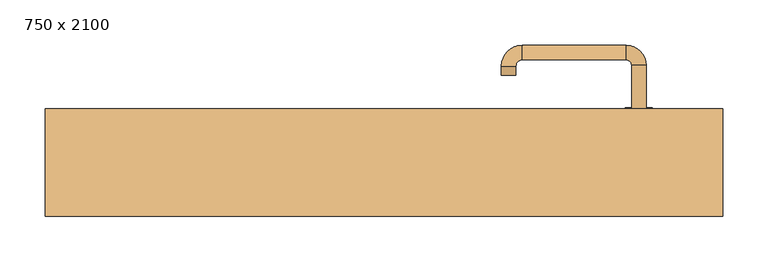
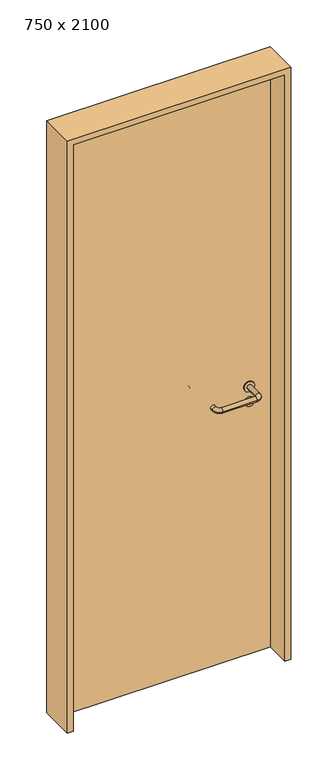
"""IFC4 building model written with IfcOpenShell, lengths in millimetres: door geometry, 750 x 2100."""

import ifcopenshell
import ifcopenshell.guid

model = None  # the IFC model being written
_history = None  # IfcOwnerHistory: only IFC2X3 demands one
_inside = {}  # id of a spatial element -> (the spatial element, [elements in it])
_under = {}  # id of a project, library or spatial element -> (it, [spatial elements below it])
_declared = {}  # id of a project -> (the project, [libraries it declares])
_typed = {}  # id of a type object -> (the type object, [elements of that type])
_made_of = {}  # id of a material, layer set ... -> (it, [elements and type objects made of it])


def new_model(schema):
    """Start an empty IFC model of exactly this schema.

    Asked for "IFC4X3", IfcOpenShell would pick the latest addendum, in which some entities
    have other attributes; the version numbers below select the first issue.
    IFC2X3 requires an IfcOwnerHistory on every rooted entity: one is made here for all.
    """
    global model, _history
    if schema == "IFC4X3":
        model = ifcopenshell.file(schema_version=(4, 3, 0, 0))
    else:
        model = ifcopenshell.file(schema=schema)
    _inside.clear()
    _under.clear()
    _declared.clear()
    _typed.clear()
    _made_of.clear()
    _history = None
    if model.schema == "IFC2X3":
        org = make("IfcOrganization", Name="unknown")
        user = make(
            "IfcPersonAndOrganization",
            ThePerson=make("IfcPerson", FamilyName="unknown"),
            TheOrganization=org,
        )
        app = make(
            "IfcApplication",
            ApplicationDeveloper=org,
            Version="unknown",
            ApplicationFullName="unknown",
            ApplicationIdentifier="unknown",
        )
        _history = make(
            "IfcOwnerHistory",
            OwningUser=user,
            OwningApplication=app,
            ChangeAction="ADDED",
            CreationDate=0,
        )
    return model


def make(cls, **values):
    """One entity of the class cls with the attributes given. An attribute that is None is left unset."""
    return model.create_entity(
        cls, **{name: value for name, value in values.items() if value is not None}
    )


def rooted(cls, **values):
    """An entity with a GlobalId (a new one), such as an element, a storey or a relation."""
    return make(cls, GlobalId=ifcopenshell.guid.new(), OwnerHistory=_history, **values)


def si_unit(unit_type, name, prefix=None):
    """IfcSIUnit, for example si_unit("LENGTHUNIT", "METRE", prefix="MILLI")."""
    return make("IfcSIUnit", UnitType=unit_type, Prefix=prefix, Name=name)


def assignment(units):
    """IfcUnitAssignment: the units of a project."""
    return None if units is None else make("IfcUnitAssignment", Units=units)


def point(xyz):
    """IfcCartesianPoint."""
    return None if xyz is None else make("IfcCartesianPoint", Coordinates=xyz)


def direction(xyz):
    """IfcDirection."""
    return None if xyz is None else make("IfcDirection", DirectionRatios=xyz)


def frame(location, z_axis=None, x_axis=None):
    """IfcAxis2Placement3D, a coordinate frame: its origin and axes. An axis left out is left unset."""
    return make(
        "IfcAxis2Placement3D",
        Location=point(location),
        Axis=direction(z_axis),
        RefDirection=direction(x_axis),
    )


def frame_2d(location, x_axis=None):
    """IfcAxis2Placement2D, a coordinate frame in the plane: its origin and x axis."""
    return make(
        "IfcAxis2Placement2D", Location=point(location), RefDirection=direction(x_axis)
    )


def origin():
    """The frame at (0, 0, 0) with its axes left unset."""
    return frame((0.0, 0.0, 0.0))


def origin_with_axes():
    """The frame at (0, 0, 0) with the z axis (0, 0, 1) and the x axis (1, 0, 0) written out."""
    return frame((0.0, 0.0, 0.0), z_axis=(0.0, 0.0, 1.0), x_axis=(1.0, 0.0, 0.0))


def place(relative_to, where):
    """IfcLocalPlacement: puts the frame where relative to a parent placement (None: the world)."""
    return make(
        "IfcLocalPlacement", PlacementRelTo=relative_to, RelativePlacement=where
    )


def context(
    kind, dimensions, precision=None, world=None, true_north=None, identifier=None
):
    """IfcGeometricRepresentationContext, for example the 3D "Model" context."""
    return make(
        "IfcGeometricRepresentationContext",
        ContextIdentifier=identifier,
        ContextType=kind,
        CoordinateSpaceDimension=dimensions,
        Precision=precision,
        WorldCoordinateSystem=world,
        TrueNorth=true_north,
    )


def project(units=None, contexts=None):
    """IfcProject with its units and contexts."""
    return rooted(
        "IfcProject",
        Name="project",
        RepresentationContexts=contexts,
        UnitsInContext=assignment(units),
    )


def spatial(cls, under=None, at=None, **own):
    """A site, building, storey or space (cls), placed at a placement, below another one or the project."""
    s = rooted(cls, ObjectPlacement=at, **own)
    if under is not None:
        _under.setdefault(under.id(), (under, []))[1].append(s)
    return s


def polyline(points):
    """IfcPolyline through the points."""
    return make("IfcPolyline", Points=[point(p) for p in points])


def circle_curve(where, radius):
    """IfcCircle in the frame where."""
    return make("IfcCircle", Position=where, Radius=radius)


def ellipse_curve(where, semi_axis1, semi_axis2):
    """IfcEllipse in the frame where."""
    return make(
        "IfcEllipse", Position=where, SemiAxis1=semi_axis1, SemiAxis2=semi_axis2
    )


def trimmed(basis, trim1, trim2, sense, master):
    """IfcTrimmedCurve: the piece of a basis curve between two trims."""
    return make(
        "IfcTrimmedCurve",
        BasisCurve=basis,
        Trim1=trim1,
        Trim2=trim2,
        SenseAgreement=sense,
        MasterRepresentation=master,
    )


def segment(curve, same_sense, transition):
    """IfcCompositeCurveSegment."""
    return make(
        "IfcCompositeCurveSegment",
        Transition=transition,
        SameSense=same_sense,
        ParentCurve=curve,
    )


def composite_curve(segments, self_intersect=None):
    """IfcCompositeCurve: segments joined end to end."""
    return make("IfcCompositeCurve", Segments=segments, SelfIntersect=self_intersect)


def outline(outer, holes=None, kind="AREA"):
    """IfcArbitraryClosedProfileDef: a profile drawn as a closed curve; with holes, ...WithVoids."""
    if holes is None:
        return make("IfcArbitraryClosedProfileDef", ProfileType=kind, OuterCurve=outer)
    return make(
        "IfcArbitraryProfileDefWithVoids",
        ProfileType=kind,
        OuterCurve=outer,
        InnerCurves=holes,
    )


def extrude(swept, where, along, depth):
    """IfcExtrudedAreaSolid: the profile swept, set in the frame where, extruded along a direction by depth."""
    return make(
        "IfcExtrudedAreaSolid",
        SweptArea=swept,
        Position=where,
        ExtrudedDirection=direction(along),
        Depth=depth,
    )


def shape(context_of_items, identifier, shape_type, items):
    """IfcShapeRepresentation: the items that make up one representation, for example the "Body"."""
    return make(
        "IfcShapeRepresentation",
        ContextOfItems=context_of_items,
        RepresentationIdentifier=identifier,
        RepresentationType=shape_type,
        Items=items,
    )


def source(mapping_origin, context_of_items, identifier, shape_type, items):
    """IfcRepresentationMap: a shape defined once, which mapped items show again and again."""
    return make(
        "IfcRepresentationMap",
        MappingOrigin=mapping_origin,
        MappedRepresentation=shape(context_of_items, identifier, shape_type, items),
    )


def transform(
    local_origin,
    x_axis=None,
    y_axis=None,
    z_axis=None,
    scale=None,
    scale2=None,
    scale3=None,
    uniform=True,
):
    """IfcCartesianTransformationOperator3D, or its non-uniform kind. x_axis, y_axis, z_axis: its Axis1, 2, 3."""
    if uniform:
        return make(
            "IfcCartesianTransformationOperator3D",
            Axis1=direction(x_axis),
            Axis2=direction(y_axis),
            LocalOrigin=point(local_origin),
            Scale=scale,
            Axis3=direction(z_axis),
        )
    return make(
        "IfcCartesianTransformationOperator3DnonUniform",
        Axis1=direction(x_axis),
        Axis2=direction(y_axis),
        LocalOrigin=point(local_origin),
        Scale=scale,
        Axis3=direction(z_axis),
        Scale2=scale2,
        Scale3=scale3,
    )


def mapped(mapping_source, mapping_target):
    """IfcMappedItem: shows the shape of a source again, moved by a transform."""
    return make(
        "IfcMappedItem", MappingSource=mapping_source, MappingTarget=mapping_target
    )


def made_of(thing, what):
    """Note that an element or type object is made of a material, layer set ...; save() writes the relation."""
    if what is not None:
        _made_of.setdefault(what.id(), (what, []))[1].append(thing)
    return thing


def element(
    cls,
    number,
    at=None,
    inside=None,
    cuts=None,
    type_object=None,
    material=None,
    context=None,
    identifier="Body",
    shape_type=None,
    held_by="IfcProductDefinitionShape",
    body=None,
    shapes=None,
    **own,
):
    """One element of the class cls, such as IfcWall. Its Tag is "e" and its number.

    at: its placement. inside: the storey or other place that contains it. cuts: it is an
    opening in that element (IfcRelVoidsElement). A single representation is given by context,
    identifier, shape_type and body (its items); several are given by shapes. held_by: the class
    of the entity that holds the representations. save() writes the other relations.
    """
    e = rooted(cls, Tag="e%d" % number, ObjectPlacement=at, **own)
    if body is not None:
        shapes = [shape(context, identifier, shape_type, body)]
    if shapes is not None:
        e.Representation = make(held_by, Representations=shapes)
    if inside is not None:
        _inside.setdefault(inside.id(), (inside, []))[1].append(e)
    if cuts is not None:
        rooted(
            "IfcRelVoidsElement", RelatingBuildingElement=cuts, RelatedOpeningElement=e
        )
    if type_object is not None:
        _typed.setdefault(type_object.id(), (type_object, []))[1].append(e)
    return made_of(e, material)


def aggregate(whole, parts):
    """IfcRelAggregates: a whole, such as a stair, and the parts it consists of."""
    return rooted("IfcRelAggregates", RelatingObject=whole, RelatedObjects=parts)


def save(model, path):
    """Write the relations noted so far, then the file.

    IfcRelAggregates (storeys below a building ...), IfcRelContainedInSpatialStructure (elements
    in a storey), IfcRelDefinesByType, IfcRelAssociatesMaterial and IfcRelDeclares: one each for
    every whole, place, type object, material and project.
    """
    for whole, parts in _under.values():
        aggregate(whole, parts)
    for where, things in _inside.values():
        rooted(
            "IfcRelContainedInSpatialStructure",
            RelatedElements=things,
            RelatingStructure=where,
        )
    for kind, things in _typed.values():
        rooted("IfcRelDefinesByType", RelatedObjects=things, RelatingType=kind)
    for what, things in _made_of.values():
        rooted("IfcRelAssociatesMaterial", RelatedObjects=things, RelatingMaterial=what)
    for by, libraries in _declared.values():
        rooted("IfcRelDeclares", RelatingContext=by, RelatedDefinitions=libraries)
    model.write(path)


def plane_surface(at):
    """IfcPlane: the flat surface through the origin of the frame at, square to its z axis."""
    return make("IfcPlane", Position=at)


def cylinder_surface(at, radius):
    """IfcCylindricalSurface: all points at the distance radius from the z axis of the frame at."""
    return make("IfcCylindricalSurface", Position=at, Radius=radius)


def revolved_surface(curve, axis_point, axis_direction):
    """IfcSurfaceOfRevolution: the curve turned about the line through axis_point along axis_direction."""
    return make(
        "IfcSurfaceOfRevolution",
        SweptCurve=make("IfcArbitraryOpenProfileDef", ProfileType="CURVE", Curve=curve),
        AxisPosition=make("IfcAxis1Placement", Location=point(axis_point), Axis=direction(axis_direction)),
    )


def advanced_brep(points, edges, surfaces, faces):
    """IfcAdvancedBrep: a solid bounded by faces that lie on surfaces and meet in shared edges.

    An edge is (start, end): straight between two places in points (the first is 0);
    or (start, end, curve); or (start, end, curve, False) where it runs against its curve.
    A face is (place in surfaces, loops), or (place, loops, False) where it looks against
    its surface's normal. A loop lists edges by number (the first is 1), with a minus sign
    where the edge is run from its end to its start. The first loop is the outer one.
    """
    corners = [point(p) for p in points]
    vertices = [make("IfcVertexPoint", VertexGeometry=c) for c in corners]
    made = []
    for start, end, *more in edges:
        made.append(
            make(
                "IfcEdgeCurve",
                EdgeStart=vertices[start],
                EdgeEnd=vertices[end],
                EdgeGeometry=more[0] if more else make("IfcPolyline", Points=[corners[start], corners[end]]),
                SameSense=more[1] if len(more) > 1 else True,
            )
        )
    hull = []
    for where, loops, *sense in faces:
        bounds = []
        for j, loop in enumerate(loops):
            ring = [make("IfcOrientedEdge", EdgeElement=made[abs(k) - 1], Orientation=k > 0) for k in loop]
            bounds.append(
                make(
                    "IfcFaceOuterBound" if j == 0 else "IfcFaceBound",
                    Bound=make("IfcEdgeLoop", EdgeList=ring),
                    Orientation=True,
                )
            )
        hull.append(make("IfcAdvancedFace", Bounds=bounds, FaceSurface=surfaces[where], SameSense=sense[0] if sense else True))
    return make("IfcAdvancedBrep", Outer=make("IfcClosedShell", CfsFaces=hull))


def door_750_x_2100_ad2e1fef(model_context):
    return source(origin(), model_context, "Body", "SolidModel", [
        extrude(outline(composite_curve([segment(trimmed(circle_curve(frame_2d((897.3605726, 282.0)), 15.0), [point((897.3605726, 297.0))], [point((897.3605726, 267.0))], False, "CARTESIAN"), True, "CONTINUOUS"), segment(trimmed(circle_curve(frame_2d((897.3605726, 282.0)), 15.0), [point((897.3605726, 267.0))], [point((897.3605726, 297.0))], False, "CARTESIAN"), True, "CONTINUOUS")], self_intersect=False), holes=[composite_curve([segment(trimmed(circle_curve(frame_2d((892.5833211, 281.9398032)), 2.0), [point((892.5833211, 283.9398032))], [point((892.5833211, 279.9398032))], True, "CARTESIAN"), True, "CONTINUOUS"), segment(polyline([(892.5833211, 279.9398032), (902.5833211, 279.9398032)]), True, "CONTINUOUS"), segment(trimmed(circle_curve(frame_2d((902.5833211, 281.9398032)), 2.0), [point((902.5833211, 279.9398032))], [point((902.5833211, 283.9398032))], True, "CARTESIAN"), True, "CONTINUOUS"), segment(polyline([(902.5833211, 283.9398032), (892.5833211, 283.9398032)]), True, "CONTINUOUS")], self_intersect=False)]), frame((0.0, 18.65, 0.0), z_axis=(0.0, 1.0, 0.0), x_axis=(0.0, 0.0, 1.0)), (0.0, 0.0, 1.0), 6.35),
        extrude(outline(composite_curve([segment(trimmed(circle_curve(frame_2d((950.0, 282.0)), 17.526), [point((950.0, 299.526))], [point((950.0, 264.474))], False, "CARTESIAN"), True, "CONTINUOUS"), segment(trimmed(circle_curve(frame_2d((950.0, 282.0)), 17.526), [point((950.0, 264.474))], [point((950.0, 299.526))], False, "CARTESIAN"), True, "CONTINUOUS")], self_intersect=False)), frame((0.0, 21.825, 0.0), z_axis=(0.0, 1.0, 0.0), x_axis=(0.0, 0.0, 1.0)), (0.0, 0.0, 1.0), 3.175),
        advanced_brep(
        [(290.0, 25.0, 950.0), (274.0, 25.0, 950.0), (274.0, -28.0, 950.0), (290.0, -28.0, 950.0), (267.8578644, -34.1421356, 950.0), (267.8578644, -50.1421356, 950.0), (152.8578644, -34.1421356, 950.0), (152.8578644, -50.1421356, 950.0), (146.008622, -27.2928932, 950.0), (130.008622, -27.2928932, 950.0), (130.008622, -17.2928932, 950.0), (146.008622, -17.2928932, 950.0)],
        [
            (0, 1, circle_curve(frame((282.0, 25.0, 950.0), z_axis=(0.0, 1.0, 0.0), x_axis=(-1.0, 0.0, 0.0)), 8.0)),
            (1, 0, circle_curve(frame((282.0, 25.0, 950.0), z_axis=(0.0, 1.0, 0.0), x_axis=(-1.0, 0.0, 0.0)), 8.0)),
            (1, 2),
            (2, 3, circle_curve(frame((282.0, -28.0, 950.0), z_axis=(0.0, 1.0, 0.0), x_axis=(-1.0, 0.0, 0.0)), 8.0)),
            (3, 0),
            (3, 2, circle_curve(frame((282.0, -28.0, 950.0), z_axis=(0.0, 1.0, 0.0), x_axis=(-1.0, 0.0, 0.0)), 8.0)),
            (4, 5, circle_curve(frame((267.8578644, -42.1421356, 950.0), z_axis=(1.0, 0.0, 0.0), x_axis=(0.0, 1.0, 0.0)), 8.0)),
            (5, 3, circle_curve(frame((267.8578644, -28.0, 950.0), z_axis=(0.0, 0.0, 1.0), x_axis=(1.0, 0.0, 0.0)), 22.1421356)),
            (2, 4, circle_curve(frame((267.8578644, -28.0, 950.0), z_axis=(0.0, 0.0, -1.0), x_axis=(1.0, 0.0, 0.0)), 6.1421356)),
            (5, 4, circle_curve(frame((267.8578644, -42.1421356, 950.0), z_axis=(1.0, 0.0, 0.0), x_axis=(0.0, 1.0, 0.0)), 8.0)),
            (4, 6),
            (6, 7, circle_curve(frame((152.8578644, -42.1421356, 950.0), z_axis=(1.0, 0.0, 0.0), x_axis=(0.0, 1.0, 0.0)), 8.0)),
            (7, 5),
            (7, 6, circle_curve(frame((152.8578644, -42.1421356, 950.0), z_axis=(1.0, 0.0, 0.0), x_axis=(0.0, 1.0, 0.0)), 8.0)),
            (8, 9, circle_curve(frame((138.008622, -27.2928932, 950.0), z_axis=(0.0, -1.0, 0.0), x_axis=(1.0, 0.0, 0.0)), 8.0)),
            (9, 7, circle_curve(frame((152.8578644, -27.2928932, 950.0), z_axis=(0.0, 0.0, 1.0), x_axis=(0.0, -1.0, 0.0)), 22.8492424)),
            (6, 8, circle_curve(frame((152.8578644, -27.2928932, 950.0), z_axis=(0.0, 0.0, -1.0), x_axis=(0.0, -1.0, 0.0)), 6.8492424)),
            (9, 8, circle_curve(frame((138.008622, -27.2928932, 950.0), z_axis=(0.0, -1.0, 0.0), x_axis=(1.0, 0.0, 0.0)), 8.0)),
            (10, 11, circle_curve(frame((138.008622, -17.2928932, 950.0), z_axis=(0.0, 1.0, 0.0), x_axis=(1.0, 0.0, 0.0)), 8.0)),
            (11, 10, circle_curve(frame((138.008622, -17.2928932, 950.0), z_axis=(0.0, 1.0, 0.0), x_axis=(1.0, 0.0, 0.0)), 8.0)),
            (8, 11),
            (10, 9),
        ],
        [
            plane_surface(frame((282.0, 25.0, 0.0), z_axis=(0.0, 1.0, 0.0), x_axis=(0.0, 0.0, 1.0))),
            cylinder_surface(frame((282.0, 25.0, 950.0), z_axis=(0.0, 1.0, 0.0), x_axis=(-1.0, 0.0, 0.0)), 8.0),
            revolved_surface(trimmed(ellipse_curve(frame((282.0, -28.0, 950.0), z_axis=(0.0, -1.0, 0.0), x_axis=(-1.0, 0.0, 0.0)), 8.0, 8.0), [point((290.0, -28.0, 950.0))], [point((274.0, -28.0, 950.0))], True, "CARTESIAN"), (267.8578644, -28.0, 0.0), (0.0, 0.0, 1.0)),
            revolved_surface(trimmed(ellipse_curve(frame((282.0, -28.0, 950.0), z_axis=(0.0, -1.0, 0.0), x_axis=(-1.0, 0.0, 0.0)), 8.0, 8.0), [point((274.0, -28.0, 950.0))], [point((290.0, -28.0, 950.0))], True, "CARTESIAN"), (267.8578644, -28.0, 0.0), (0.0, 0.0, 1.0)),
            cylinder_surface(frame((267.8578644, -42.1421356, 950.0), z_axis=(1.0, 0.0, 0.0), x_axis=(0.0, 1.0, 0.0)), 8.0),
            revolved_surface(trimmed(ellipse_curve(frame((152.8578644, -42.1421356, 950.0), z_axis=(-1.0, 0.0, 0.0), x_axis=(0.0, 1.0, 0.0)), 8.0, 8.0), [point((152.8578644, -50.1421356, 950.0))], [point((152.8578644, -34.1421356, 950.0))], True, "CARTESIAN"), (152.8578644, -27.2928932, 0.0), (0.0, 0.0, 1.0)),
            revolved_surface(trimmed(ellipse_curve(frame((152.8578644, -42.1421356, 950.0), z_axis=(-1.0, 0.0, 0.0), x_axis=(0.0, 1.0, 0.0)), 8.0, 8.0), [point((152.8578644, -34.1421356, 950.0))], [point((152.8578644, -50.1421356, 950.0))], True, "CARTESIAN"), (152.8578644, -27.2928932, 0.0), (0.0, 0.0, 1.0)),
            plane_surface(frame((138.008622, -17.2928932, 0.0), z_axis=(0.0, 1.0, 0.0), x_axis=(0.0, 0.0, 1.0))),
            cylinder_surface(frame((138.008622, -27.2928932, 950.0), z_axis=(0.0, -1.0, 0.0), x_axis=(1.0, 0.0, 0.0)), 8.0),
        ],
        [
            (0, [[1, 2]]),
            (1, [[3, 4, 5, -2]]),
            (1, [[-5, 6, -3, -1]]),
            (2, [[7, 8, -4, 9]]),
            (3, [[10, -9, -6, -8]]),
            (4, [[11, 12, 13, -7]]),
            (4, [[-13, 14, -11, -10]]),
            (5, [[15, 16, -12, 17]]),
            (6, [[18, -17, -14, -16]]),
            (7, [[19, 20]]),
            (8, [[21, -19, 22, -15]]),
            (8, [[-22, -20, -21, -18]]),
        ],
    ),
        extrude(outline(composite_curve([segment(trimmed(circle_curve(frame_2d((0.0, -15.0)), 15.0), [point((0.0, -30.0))], [point((0.0, 0.0))], False, "CARTESIAN"), True, "CONTINUOUS"), segment(trimmed(circle_curve(frame_2d((0.0, -15.0)), 15.0), [point((0.0, 0.0))], [point((0.0, -30.0))], False, "CARTESIAN"), True, "CONTINUOUS")], self_intersect=False), holes=[composite_curve([segment(trimmed(circle_curve(frame_2d((4.7772515, -14.9398032)), 2.0), [point((4.7772515, -16.9398032))], [point((4.7772515, -12.9398032))], True, "CARTESIAN"), True, "CONTINUOUS"), segment(polyline([(4.7772515, -12.9398032), (-5.2227485, -12.9398032)]), True, "CONTINUOUS"), segment(trimmed(circle_curve(frame_2d((-5.2227485, -14.9398032)), 2.0), [point((-5.2227485, -12.9398032))], [point((-5.2227485, -16.9398032))], True, "CARTESIAN"), True, "CONTINUOUS"), segment(polyline([(-5.2227485, -16.9398032), (4.7772515, -16.9398032)]), True, "CONTINUOUS")], self_intersect=False)]), frame((267.0, 55.0, 897.3605726), z_axis=(1.8870575173328306e-12, 1.0, 0.0), x_axis=(0.0, 0.0, -1.0)), (0.0, 0.0, 1.0), 6.35),
        extrude(outline(composite_curve([segment(trimmed(circle_curve(frame_2d((0.0, -17.526)), 17.526), [point((0.0, -35.052))], [point((0.0, 0.0))], False, "CARTESIAN"), True, "CONTINUOUS"), segment(trimmed(circle_curve(frame_2d((0.0, -17.526)), 17.526), [point((0.0, 0.0))], [point((0.0, -35.052))], False, "CARTESIAN"), True, "CONTINUOUS")], self_intersect=False)), frame((264.474, 55.0, 950.0), z_axis=(1.8870575173328306e-12, 1.0, 0.0), x_axis=(0.0, 0.0, -1.0)), (0.0, 0.0, 1.0), 3.175),
        advanced_brep(
        [(290.0, 55.0, 950.0), (274.0, 55.0, 950.0), (290.0, 108.0, 950.0), (274.0, 108.0, 950.0), (267.8578644, 114.1421356, 950.0), (267.8578644, 130.1421356, 950.0), (152.8578644, 130.1421356, 950.0), (152.8578644, 114.1421356, 950.0), (146.008622, 107.2928932, 950.0), (130.008622, 107.2928932, 950.0), (130.008622, 97.2928932, 950.0), (146.008622, 97.2928932, 950.0)],
        [
            (0, 1, circle_curve(frame((282.0, 55.0, 950.0), z_axis=(-1.888672253512351e-12, -1.0, 0.0), x_axis=(-1.0, 1.888672253512351e-12, 0.0)), 8.0)),
            (1, 0, circle_curve(frame((282.0, 55.0, 950.0), z_axis=(-1.888672253512351e-12, -1.0, 0.0), x_axis=(-1.0, 1.888672253512351e-12, 0.0)), 8.0)),
            (0, 2),
            (2, 3, circle_curve(frame((282.0, 108.0, 950.0), z_axis=(-1.888672253512351e-12, -1.0, 0.0), x_axis=(-1.0, 1.888672253512351e-12, 0.0)), 8.0)),
            (3, 1),
            (3, 2, circle_curve(frame((282.0, 108.0, 950.0), z_axis=(-1.888672253512351e-12, -1.0, 0.0), x_axis=(-1.0, 1.888672253512351e-12, 0.0)), 8.0)),
            (4, 3, circle_curve(frame((267.8578644, 108.0, 950.0), z_axis=(0.0, 0.0, -1.0), x_axis=(1.0, -1.880717803715015e-12, 0.0)), 6.1421356)),
            (2, 5, circle_curve(frame((267.8578644, 108.0, 950.0), z_axis=(0.0, 0.0, 1.0), x_axis=(1.0, -1.880717803715015e-12, 0.0)), 22.1421356)),
            (5, 4, circle_curve(frame((267.8578644, 122.1421356, 950.0), z_axis=(1.0, -1.913702061528922e-12, 0.0), x_axis=(-1.913702061528922e-12, -1.0, 0.0)), 8.0)),
            (4, 5, circle_curve(frame((267.8578644, 122.1421356, 950.0), z_axis=(1.0, -1.913702061528922e-12, 0.0), x_axis=(-1.913702061528922e-12, -1.0, 0.0)), 8.0)),
            (5, 6),
            (6, 7, circle_curve(frame((152.8578644, 122.1421356, 950.0), z_axis=(1.0, -1.913719828541269e-12, 0.0), x_axis=(-1.913719828541269e-12, -1.0, 0.0)), 8.0)),
            (7, 4),
            (7, 6, circle_curve(frame((152.8578644, 122.1421356, 950.0), z_axis=(1.0, -1.913719828541269e-12, 0.0), x_axis=(-1.913719828541269e-12, -1.0, 0.0)), 8.0)),
            (8, 7, circle_curve(frame((152.8578644, 107.2928932, 950.0), z_axis=(0.0, 0.0, -1.0), x_axis=(1.9120873253494017e-12, 1.0, 0.0)), 6.8492424)),
            (6, 9, circle_curve(frame((152.8578644, 107.2928932, 950.0), z_axis=(0.0, 0.0, 1.0), x_axis=(1.9120873253494017e-12, 1.0, 0.0)), 22.8492424)),
            (9, 8, circle_curve(frame((138.008622, 107.2928932, 950.0), z_axis=(1.890448610351751e-12, 1.0, 0.0), x_axis=(1.0, -1.890448610351751e-12, 0.0)), 8.0)),
            (8, 9, circle_curve(frame((138.008622, 107.2928932, 950.0), z_axis=(1.8888942981172756e-12, 1.0, 0.0), x_axis=(1.0, -1.8888942981172756e-12, 0.0)), 8.0)),
            (10, 11, circle_curve(frame((138.008622, 97.2928932, 950.0), z_axis=(-1.8903642334018795e-12, -1.0, 0.0), x_axis=(1.0, -1.8903642334018795e-12, 0.0)), 8.0)),
            (11, 10, circle_curve(frame((138.008622, 97.2928932, 950.0), z_axis=(-1.8903642334018795e-12, -1.0, 0.0), x_axis=(1.0, -1.8903642334018795e-12, 0.0)), 8.0)),
            (9, 10),
            (11, 8),
        ],
        [
            plane_surface(frame((282.0, 55.0, 0.0), z_axis=(-1.8870575173328306e-12, -1.0, 0.0), x_axis=(0.0, 0.0, 1.0))),
            cylinder_surface(frame((282.0, 55.0, 950.0), z_axis=(-1.888672253512351e-12, -1.0, 0.0), x_axis=(-1.0, 1.888672253512351e-12, 0.0)), 8.0),
            revolved_surface(trimmed(ellipse_curve(frame((282.0, 108.0, 950.0), z_axis=(-1.8823325398945356e-12, -1.0, 0.0), x_axis=(-1.0, 1.8823325398945356e-12, 0.0)), 8.0, 8.0), [point((290.0, 108.0, 950.0))], [point((274.0, 108.0, 950.0))], True, "CARTESIAN"), (267.8578644, 108.0, 0.0), (0.0, 0.0, 1.0)),
            revolved_surface(trimmed(ellipse_curve(frame((282.0, 108.0, 950.0), z_axis=(-1.8823325398945356e-12, -1.0, 0.0), x_axis=(-1.0, 1.8823325398945356e-12, 0.0)), 8.0, 8.0), [point((274.0, 108.0, 950.0))], [point((290.0, 108.0, 950.0))], True, "CARTESIAN"), (267.8578644, 108.0, 0.0), (0.0, 0.0, 1.0)),
            cylinder_surface(frame((267.8578644, 122.1421356, 950.0), z_axis=(1.0, -1.913719828541269e-12, 0.0), x_axis=(-1.913719828541269e-12, -1.0, 0.0)), 8.0),
            revolved_surface(trimmed(ellipse_curve(frame((152.8578644, 122.1421356, 950.0), z_axis=(1.0, -1.913702061528922e-12, 0.0), x_axis=(-1.913702061528922e-12, -1.0, 0.0)), 8.0, 8.0), [point((152.8578644, 130.1421356, 950.0))], [point((152.8578644, 114.1421356, 950.0))], True, "CARTESIAN"), (152.8578644, 107.2928932, 0.0), (0.0, 0.0, 1.0)),
            revolved_surface(trimmed(ellipse_curve(frame((152.8578644, 122.1421356, 950.0), z_axis=(1.0, -1.913702061528922e-12, 0.0), x_axis=(-1.913702061528922e-12, -1.0, 0.0)), 8.0, 8.0), [point((152.8578644, 114.1421356, 950.0))], [point((152.8578644, 130.1421356, 950.0))], True, "CARTESIAN"), (152.8578644, 107.2928932, 0.0), (0.0, 0.0, 1.0)),
            plane_surface(frame((138.008622, 97.2928932, 0.0), z_axis=(-1.8887494972223595e-12, -1.0, 0.0), x_axis=(0.0, 0.0, 1.0))),
            cylinder_surface(frame((138.008622, 107.2928932, 950.0), z_axis=(1.8903642334018795e-12, 1.0, 0.0), x_axis=(1.0, -1.8903642334018795e-12, 0.0)), 8.0),
        ],
        [
            (0, [[1, 2]]),
            (1, [[-1, 3, 4, 5]]),
            (1, [[-2, -5, 6, -3]]),
            (2, [[7, -4, 8, 9]]),
            (3, [[-8, -6, -7, 10]]),
            (4, [[-9, 11, 12, 13]]),
            (4, [[-10, -13, 14, -11]]),
            (5, [[15, -12, 16, 17]]),
            (6, [[-16, -14, -15, 18]]),
            (7, [[19, 20]]),
            (8, [[-17, 21, -20, 22]]),
            (8, [[-18, -22, -19, -21]]),
        ],
    ),
        extrude(outline(polyline([(2080.0, 355.0), (0.0, 355.0), (0.0, 375.0), (2100.0, 375.0), (2100.0, -375.0), (0.0, -375.0), (0.0, -355.0), (2080.0, -355.0), (2080.0, 355.0)])), frame((0.0, -59.0, 0.0), z_axis=(0.0, 1.0, 0.0), x_axis=(0.0, 0.0, 1.0)), (0.0, 0.0, 1.0), 119.0),
        extrude(outline(polyline([(-355.0, 55.0), (355.0, 55.0), (355.0, 25.0), (-355.0, 25.0), (-355.0, 55.0)])), origin_with_axes(), (0.0, 0.0, 1.0), 2080.0),
    ])


if __name__ == "__main__":
    model = new_model("IFC4")
    model_context = context("Model", 3, world=origin())
    ifc_project = project(units=[si_unit("LENGTHUNIT", "METRE", prefix="MILLI")], contexts=[model_context])
    site = spatial("IfcSite", under=ifc_project)
    building = spatial("IfcBuilding", under=site)
    placement = place(None, origin())
    door_750_x_2100_shape = door_750_x_2100_ad2e1fef(model_context)
    element("IfcDoor", 1, ObjectType="750 x 2100", at=placement, inside=building, context=model_context, shape_type="MappedRepresentation", body=[
        mapped(door_750_x_2100_shape, transform((0.0, 0.0, 0.0), x_axis=(1.0, 0.0, 0.0), y_axis=(0.0, 1.0, 0.0), z_axis=(0.0, 0.0, 1.0))),
    ])
    save(model, "model.ifc")
